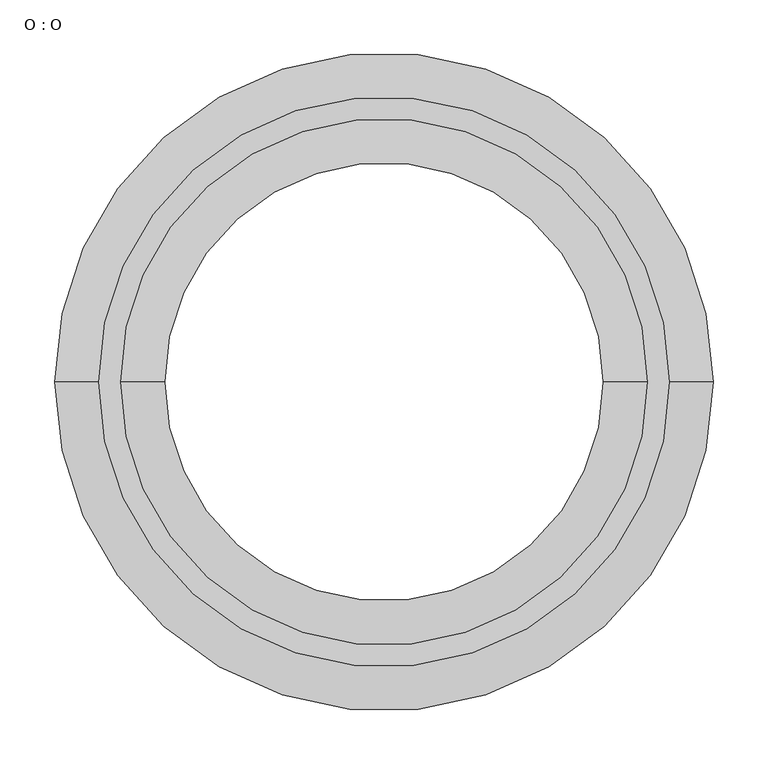
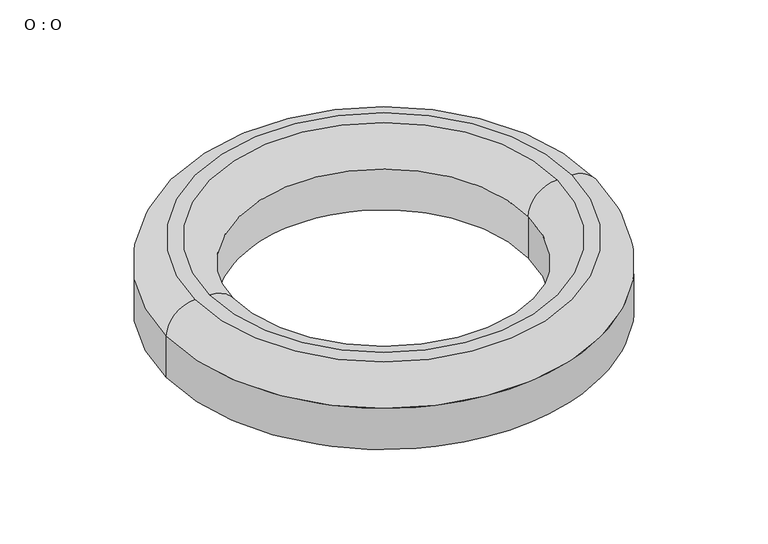
"""IFC4 building model written with IfcOpenShell, lengths in millimetres: proxy geometry, O : O."""

from ifc_helpers import new_model, si_unit, point, frame, origin, origin_with_axes, place, context, project, spatial, polyline, circle_curve, ellipse_curve, trimmed, source, transform, mapped, element, save
from ifc_brep_helpers import plane_surface, cylinder_surface, revolved_surface, advanced_brep


def o_o_c427f655(model_context):
    return source(origin(), model_context, "Body", "AdvancedBrep", [
        advanced_brep(
        [(-260.0, 0.0, 100.0), (260.0, 0.0, 100.0), (240.0, 0.0, 100.0), (-240.0, 0.0, 100.0), (-300.0, 0.0, 0.0), (300.0, 0.0, 0.0), (-200.0, 0.0, 0.0), (200.0, 0.0, 0.0), (300.0, 0.0, 60.0000496), (-300.0, 0.0, 60.0), (200.0, 0.0, 60.0000491), (-200.0, 0.0, 60.0)],
        [
            (0, 1, circle_curve(frame((0.0, 0.0, 100.0), z_axis=(0.0, 0.0, 1.0), x_axis=(-1.0, 0.0, 0.0)), 260.0)),
            (1, 0, circle_curve(frame((0.0, 0.0, 100.0), z_axis=(0.0, 0.0, 1.0), x_axis=(1.0, 0.0, 0.0)), 260.0)),
            (2, 3, circle_curve(frame((0.0, 0.0, 100.0), z_axis=(0.0, 0.0, -1.0), x_axis=(1.0, 0.0, 0.0)), 240.0)),
            (3, 2, circle_curve(frame((0.0, 0.0, 100.0), z_axis=(0.0, 0.0, -1.0), x_axis=(-1.0, 0.0, 0.0)), 240.0)),
            (4, 5, circle_curve(frame((0.0, 0.0, 0.0), z_axis=(0.0, 0.0, -1.0), x_axis=(1.0, 0.0, 0.0)), 300.0)),
            (5, 4, circle_curve(frame((0.0, 0.0, 0.0), z_axis=(0.0, 0.0, -1.0), x_axis=(1.0, 0.0, 0.0)), 300.0)),
            (6, 7, circle_curve(origin_with_axes(), 200.0)),
            (7, 6, circle_curve(origin_with_axes(), 200.0)),
            (5, 8),
            (8, 9, circle_curve(frame((0.0, 0.0, 60.0), z_axis=(0.0, 0.0, -1.0), x_axis=(1.0, 0.0, 0.0)), 300.0)),
            (9, 4),
            (9, 8, circle_curve(frame((0.0, 0.0, 60.0), z_axis=(0.0, 0.0, -1.0), x_axis=(1.0, 0.0, 0.0)), 300.0)),
            (7, 10),
            (10, 11, circle_curve(frame((0.0, 0.0, 60.0), z_axis=(0.0, 0.0, 1.0), x_axis=(1.0, 0.0, 0.0)), 200.0)),
            (11, 6),
            (11, 10, circle_curve(frame((0.0, 0.0, 60.0), z_axis=(0.0, 0.0, 1.0), x_axis=(1.0, 0.0, 0.0)), 200.0)),
            (8, 1, circle_curve(frame((260.0, 0.0, 60.0), z_axis=(0.0, -1.0, 0.0), x_axis=(-1.0, 0.0, 0.0)), 40.0)),
            (0, 9, circle_curve(frame((-260.0, 0.0, 60.0), z_axis=(0.0, -1.0, 0.0), x_axis=(1.0, 0.0, 0.0)), 40.0)),
            (11, 3, circle_curve(frame((-240.0, 0.0, 60.0), z_axis=(0.0, -1.0, 0.0), x_axis=(-1.0, 0.0, 0.0)), 40.0)),
            (2, 10, circle_curve(frame((240.0, 0.0, 60.0), z_axis=(0.0, -1.0, 0.0), x_axis=(1.0, 0.0, 0.0)), 40.0)),
        ],
        [
            plane_surface(frame((300.0, 0.0, 100.0), z_axis=(0.0, 0.0, 1.0), x_axis=(0.0, 1.0, 0.0))),
            plane_surface(frame((300.0, 0.0, 0.0), z_axis=(0.0, 0.0, -1.0), x_axis=(0.0, -1.0, 0.0))),
            cylinder_surface(origin_with_axes(), 300.0),
            revolved_surface(polyline([(200.0, 0.0, 0.0), (200.0, 0.0, 60.0000491)]), (0.0, 0.0, 0.0), (0.0, 0.0, -1.0)),
            revolved_surface(trimmed(ellipse_curve(frame((-260.0, 0.0, 60.0), z_axis=(0.0, 1.0, 0.0), x_axis=(1.0, 0.0, 0.0)), 40.0, 40.0), [point((-300.0, 0.0, 60.0))], [point((-260.0, 0.0, 100.0))], True, "CARTESIAN"), (0.0, 0.0, 100.0), (0.0, 0.0, 1.0)),
            revolved_surface(trimmed(ellipse_curve(frame((260.0, 0.0, 60.0), z_axis=(0.0, -1.0, 0.0), x_axis=(-1.0, 0.0, 0.0)), 40.0, 40.0), [point((300.0, 0.0, 60.0))], [point((260.0, 0.0, 100.0))], True, "CARTESIAN"), (0.0, 0.0, 100.0), (0.0, 0.0, 1.0)),
            revolved_surface(trimmed(ellipse_curve(frame((240.0, 0.0, 60.0), z_axis=(0.0, 1.0, 0.0), x_axis=(1.0, 0.0, 0.0)), 40.0, 40.0), [point((200.0, 0.0, 60.0))], [point((240.0, 0.0, 100.0))], True, "CARTESIAN"), (0.0, 0.0, 100.0), (0.0, 0.0, -1.0)),
            revolved_surface(trimmed(ellipse_curve(frame((-240.0, 0.0, 60.0), z_axis=(0.0, -1.0, 0.0), x_axis=(-1.0, 0.0, 0.0)), 40.0, 40.0), [point((-200.0, 0.0, 60.0))], [point((-240.0, 0.0, 100.0))], True, "CARTESIAN"), (0.0, 0.0, 100.0), (0.0, 0.0, -1.0)),
        ],
        [
            (0, [[1, 2], [3, 4]]),
            (1, [[5, 6], [7, 8]]),
            (2, [[-6, 9, 10, 11]]),
            (2, [[-5, -11, 12, -9]]),
            (3, [[-8, 13, 14, 15]]),
            (3, [[-7, -15, 16, -13]]),
            (4, [[17, -1, 18, -10]]),
            (5, [[-17, -12, -18, -2]]),
            (6, [[19, -3, 20, -16]]),
            (7, [[-19, -14, -20, -4]]),
        ],
    ),
    ])


if __name__ == "__main__":
    model = new_model("IFC4")
    model_context = context("Model", 3, world=origin())
    ifc_project = project(units=[si_unit("LENGTHUNIT", "METRE", prefix="MILLI")], contexts=[model_context])
    site = spatial("IfcSite", under=ifc_project)
    building = spatial("IfcBuilding", under=site)
    placement = place(None, origin())
    o_o_shape = o_o_c427f655(model_context)
    element("IfcBuildingElementProxy", 1, Name="O : O", ObjectType="O : O", at=placement, inside=building, context=model_context, shape_type="MappedRepresentation", body=[
        mapped(o_o_shape, transform((0.0, 0.0, 0.0), x_axis=(1.0, 0.0, 0.0), y_axis=(0.0, 1.0, 0.0), z_axis=(0.0, 0.0, 1.0))),
    ])
    save(model, "model.ifc")
